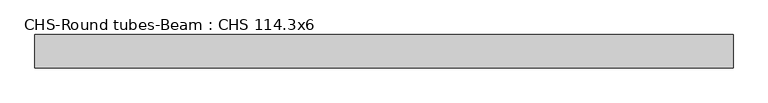
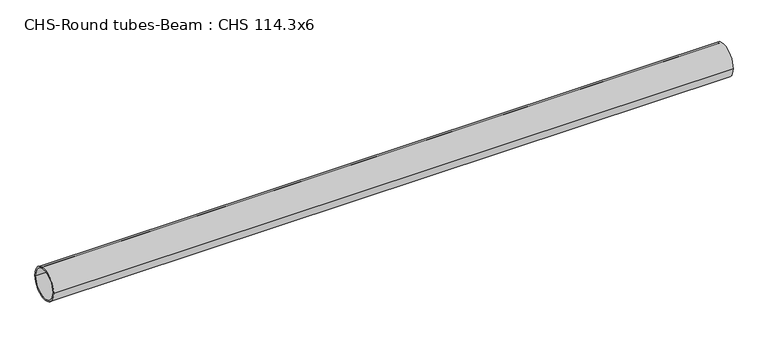
"""IFC4 building model written with IfcOpenShell, lengths in millimetres: beam geometry, CHS-Round tubes-Beam : CHS 114.3x6."""

from ifc_helpers import new_model, si_unit, point, frame, origin, origin_2d, place, context, project, spatial, circle_curve, trimmed, segment, composite_curve, outline, extrude, source, transform, mapped, element, save


def chs_round_tubes_beam_chs_114_3x6_c7842d60(model_context):
    return source(origin(), model_context, "Body", "SweptSolid", [
        extrude(outline(composite_curve([segment(trimmed(circle_curve(origin_2d(), 57.15), [point((57.15, 0.0))], [point((-57.15, 0.0))], False, "CARTESIAN"), True, "CONTINUOUS"), segment(trimmed(circle_curve(origin_2d(), 57.15), [point((-57.15, 0.0))], [point((57.15, 0.0))], False, "CARTESIAN"), True, "CONTINUOUS")], self_intersect=False), holes=[composite_curve([segment(trimmed(circle_curve(origin_2d(), 51.15), [point((51.15, 0.0))], [point((-51.15, 0.0))], True, "CARTESIAN"), True, "CONTINUOUS"), segment(trimmed(circle_curve(origin_2d(), 51.15), [point((-51.15, 0.0))], [point((51.15, 0.0))], True, "CARTESIAN"), True, "CONTINUOUS")], self_intersect=False)]), frame((-1187.2636194, 0.0, 0.0), z_axis=(1.0, 0.0, 0.0), x_axis=(0.0, 1.0, 0.0)), (0.0, 0.0, 1.0), 2400.3070354),
    ])


if __name__ == "__main__":
    model = new_model("IFC4")
    model_context = context("Model", 3, world=origin())
    ifc_project = project(units=[si_unit("LENGTHUNIT", "METRE", prefix="MILLI")], contexts=[model_context])
    site = spatial("IfcSite", under=ifc_project)
    building = spatial("IfcBuilding", under=site)
    placement = place(None, origin())
    chs_round_tubes_beam_chs_114_3x6_shape = chs_round_tubes_beam_chs_114_3x6_c7842d60(model_context)
    element("IfcBeam", 1, ObjectType="CHS-Round tubes-Beam : CHS 114.3x6", at=placement, inside=building, context=model_context, shape_type="MappedRepresentation", body=[
        mapped(chs_round_tubes_beam_chs_114_3x6_shape, transform((0.0, 0.0, 0.0), x_axis=(1.0, 0.0, 0.0), y_axis=(0.0, 1.0, 0.0), z_axis=(0.0, 0.0, 1.0))),
    ])
    save(model, "model.ifc")
